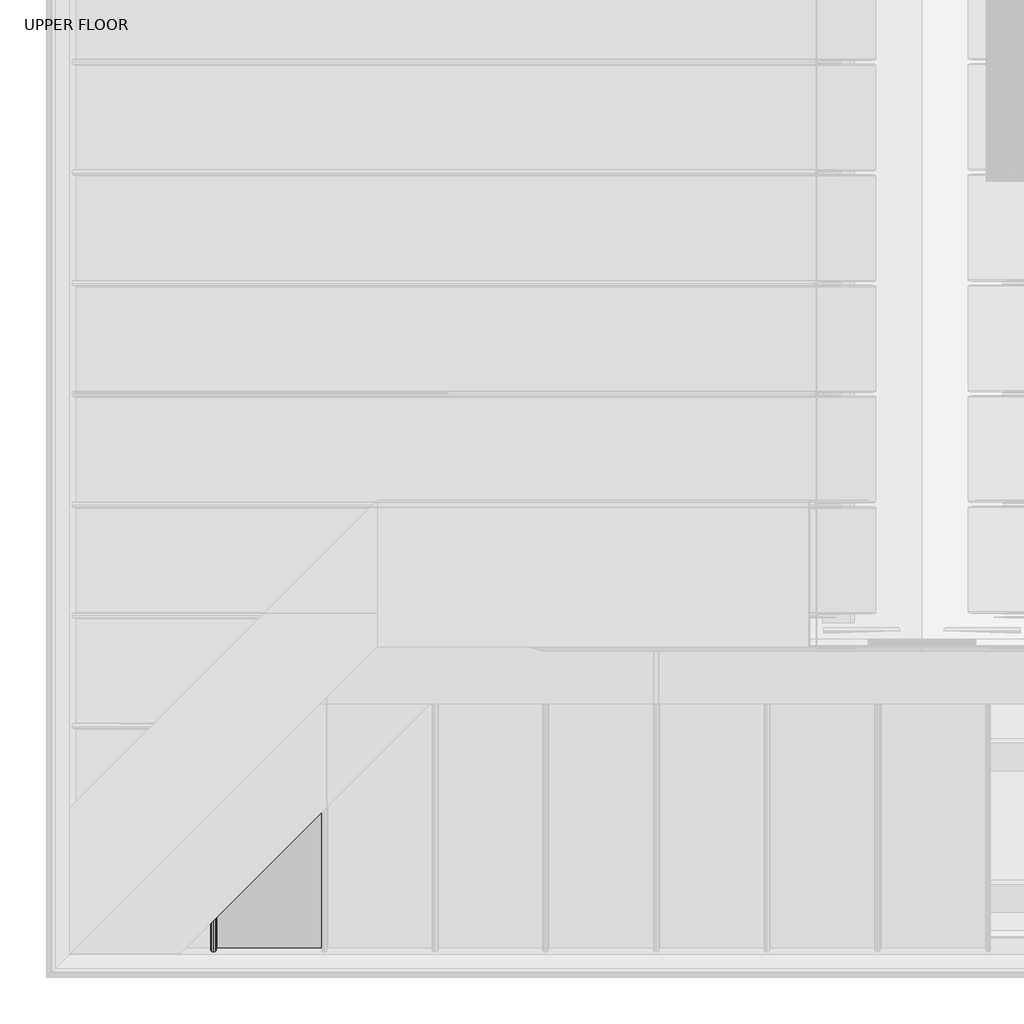
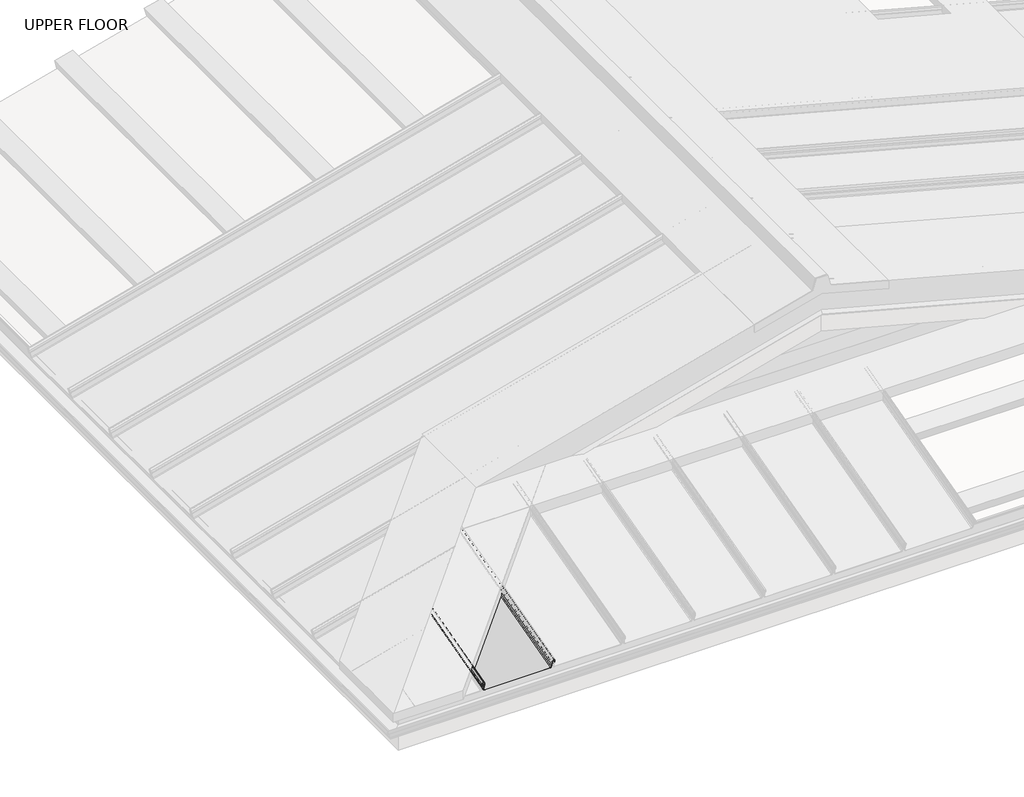
# One storey, part 4 of 15: 1 beam.
"""IFC4 building model written with IfcOpenShell, lengths in millimetres."""

from ifc_helpers import new_model, si_unit, frame, origin, place, context, project, spatial, polyline, circle_curve, ellipse_curve, element, save
from ifc_brep_helpers import plane_surface, cylinder_surface, revolved_surface, advanced_brep

model = new_model("IFC4")

# Units and contexts
model_context = context("Model", 3, world=origin())
ifc_project = project(units=[si_unit("LENGTHUNIT", "METRE", prefix="MILLI")], contexts=[model_context])

# Site, building, storey
site = spatial("IfcSite", under=ifc_project)
building = spatial("IfcBuilding", under=site)
storey = spatial("IfcBuildingStorey", under=building, Name="UPPER FLOOR", Elevation=2700.0)

# Beam
placement = place(None, origin())
element("IfcBeam", 1, at=placement, inside=storey, context=model_context, shape_type="AdvancedBrep", body=[
    advanced_brep(
    [(168.3493108, -4676.095666, 3282.2551895), (163.8152854, -4677.0728577, 3285.9021185), (159.3084709, -4676.1309313, 3282.3868016), (156.8614715, -4673.1910221, 3271.414911), (158.5201309, -4672.5557768, 3269.0441433), (159.6892957, -4672.112927, 3267.3914054), (158.1987741, -4666.0540531, 3244.7793802), (154.5043224, -4665.157273, 3241.4325512), (-165.7446304, -4665.157273, 3241.4325512), (-169.4374078, -4666.0550971, 3244.7832762), (-170.906911, -4672.1332034, 3267.4670779), (-170.2789834, -4672.3747897, 3268.3686904), (-168.0673455, -4673.168275, 3271.3300177), (-168.9508843, -4676.0609668, 3282.1256906), (-176.1805362, -4677.7900541, 3288.5787319), (-183.4101882, -4676.0609668, 3282.1256906), (-184.293727, -4673.168275, 3271.3300177), (-182.0820891, -4672.3747897, 3268.3686904), (-181.4541615, -4672.1332034, 3267.4670779), (-181.8458759, -4670.5130082, 3261.420427), (-180.84392, -4670.5130082, 3261.420427), (-180.4365113, -4672.1981177, 3267.7093414), (-181.8419272, -4672.6260652, 3269.3064631), (-183.2963478, -4673.1478782, 3271.2538956), (-182.4066574, -4676.0607105, 3282.1247338), (-176.1805362, -4677.531235, 3287.6128061), (-169.9476802, -4676.0402621, 3282.0484196), (-169.0600815, -4673.1272018, 3271.1767303), (-170.5191453, -4672.6260652, 3269.3064631), (-171.9245612, -4672.1981177, 3267.7093414), (-170.4354557, -4666.0389332, 3244.7229517), (-165.7446304, -4664.898454, 3240.4666254), (154.5040773, -4664.898454, 3240.4666254), (159.1967532, -4666.0376071, 3244.7180029), (160.6874877, -4672.0973465, 3267.3332583), (158.7839069, -4672.805634, 3269.9766229), (157.8472636, -4673.1463822, 3271.2483128), (160.2629487, -4676.0462771, 3282.0708676), (163.8257944, -4676.8142937, 3284.9371448), (167.2997886, -4676.1424796, 3282.4299005), (169.3270395, -4673.2675201, 3271.7004056), (170.3268994, -4673.315157, 3271.8781888), (170.3268994, -3897.8214481, 3479.6711018), (168.3493108, -3899.7990366, 3490.2632444), (169.3270395, -3898.821308, 3479.2126427), (167.2997886, -3900.8485588, 3490.1692805), (163.8257944, -3904.322553, 3491.9256829), (160.2629487, -3907.8853987, 3487.8989546), (157.8472636, -3910.3010838, 3475.6520944), (158.7839069, -3909.3644405, 3474.5400742), (160.6874877, -3907.4608597, 3472.2169874), (159.1967532, -3908.9515942, 3447.5785887), (154.5040773, -3913.6442701, 3441.7645773), (-165.7446304, -4233.8929778, 3355.9541946), (-170.4354557, -4238.5838031, 3359.2592085), (-171.9245612, -4240.0729087, 3383.4969422), (-170.5191453, -4238.6674927, 3385.5853122), (-169.0600815, -4237.2084289, 3387.9808135), (-169.9476802, -4238.0960276, 3399.3952236), (-176.1805362, -4244.3288837, 3403.6890263), (-182.4066574, -4250.5550048, 3396.138644), (-183.2963478, -4251.4446952, 3384.2489229), (-181.8419272, -4249.9902746, 3382.5513819), (-180.4365113, -4248.5848587, 3381.216172), (-180.84392, -4248.9922675, 3374.3665691), (-181.8458759, -4249.9942233, 3374.0980958), (-181.4541615, -4249.6025089, 3380.6838363), (-182.0820891, -4250.2304365, 3381.4819289), (-184.2948561, -4252.4420973, 3384.0633487), (-183.4101882, -4251.5585357, 3395.8707742), (-176.1805362, -4244.3288837, 3404.7243025), (-168.9508843, -4237.0992317, 3399.7451331), (-168.0673455, -4236.2156929, 3388.4111092), (-170.2789834, -4238.4273308, 3384.6445616), (-170.906911, -4239.0552584, 3383.5099635), (-169.4374078, -4237.5857552, 3359.5912903), (-165.7446304, -4233.8929778, 3356.9894708), (154.5043224, -3913.644025, 3442.7999191), (158.1987741, -3909.9495733, 3447.376965), (159.6892957, -3908.4590518, 3472.0118446), (158.5201309, -3909.6282166, 3473.4699669), (156.8614715, -3911.2868759, 3475.5665117), (159.3084709, -3908.8398765, 3487.9818201), (163.8152854, -3904.333062, 3492.9571227)],
    [
        (0, 1, circle_curve(frame((163.8152854, -4675.8796489, 3281.4490028), z_axis=(0.0, -0.9659258262890683, -0.2588190451025206), x_axis=(-1.0000000000000002, 0.0, 0.0)), 4.6102046)),
        (1, 2, circle_curve(frame((163.8152854, -4675.8796489, 3281.4490028), z_axis=(0.0, -0.9659258262890683, -0.2588190451025206), x_axis=(-1.0000000000000002, 0.0, 0.0)), 4.6102046)),
        (2, 3),
        (3, 4, circle_curve(frame((159.2456639, -4673.1453565, 3271.2444845), z_axis=(0.0, -0.9659258262890683, -0.2588190451025206), x_axis=(-1.0000000000000002, 0.0, 0.0)), 2.3907121)),
        (4, 5, circle_curve(frame((158.0092332, -4672.1406133, 3267.4947319), z_axis=(0.0, 0.9659258262890683, 0.2588190451025206), x_axis=(-1.0000000000000002, 0.0, 0.0)), 1.6834645)),
        (5, 6),
        (6, 7, circle_curve(frame((154.5062513, -4666.1149033, 3245.0064763), z_axis=(0.0, 0.9659258262890683, 0.2588190451025206), x_axis=(-1.0000000000000002, 0.0, 0.0)), 3.7)),
        (7, 8),
        (8, 9, circle_curve(frame((-165.7446304, -4666.1149035, 3245.0064768), z_axis=(0.0, 0.9659258262890683, 0.2588190451025206), x_axis=(-1.0000000000000002, 0.0, 0.0)), 3.7)),
        (9, 10),
        (10, 11, circle_curve(frame((-169.9849411, -4672.1481352, 3267.522804), z_axis=(0.0, 0.9659258262890683, 0.2588190451025206), x_axis=(-1.0000000000000002, 0.0, 0.0)), 0.9237732)),
        (11, 12, circle_curve(frame((-170.9790057, -4673.108701, 3271.1076846), z_axis=(0.0, -0.9659258262890683, -0.2588190451025206), x_axis=(-1.0000000000000002, 0.0, 0.0)), 2.9207441)),
        (12, 13),
        (13, 14, circle_curve(frame((-176.1805362, -4675.9130447, 3281.5736375), z_axis=(0.0, -0.9659258262890683, -0.2588190451025206), x_axis=(-1.0000000000000002, 0.0, 0.0)), 7.2522073)),
        (14, 15, circle_curve(frame((-176.1805362, -4675.9130447, 3281.5736375), z_axis=(0.0, -0.9659258262890683, -0.2588190451025206), x_axis=(-1.0000000000000002, 0.0, 0.0)), 7.2522073)),
        (15, 16),
        (16, 17, circle_curve(frame((-181.3806452, -4673.1092459, 3271.1097181), z_axis=(0.0, -0.9659258262890683, -0.2588190451025206), x_axis=(-1.0000000000000002, 0.0, 0.0)), 2.9231288)),
        (17, 18, circle_curve(frame((-182.2830835, -4672.164336, 3267.5832662), z_axis=(0.0, 0.9659258262890683, 0.2588190451025206), x_axis=(-1.0000000000000002, 0.0, 0.0)), 0.8376041)),
        (18, 19),
        (19, 20, circle_curve(frame((-181.344898, -4670.5130082, 3261.420427), z_axis=(0.0, -0.9659258262890683, -0.2588190451025206), x_axis=(-1.0000000000000002, 0.0, 0.0)), 0.5009779)),
        (20, 21),
        (21, 22, circle_curve(frame((-182.2868274, -4672.1596269, 3267.5656915), z_axis=(0.0, -0.9659258262890683, -0.2588190451025206), x_axis=(-1.0000000000000002, 0.0, 0.0)), 1.856283)),
        (22, 23, circle_curve(frame((-181.3815775, -4673.108701, 3271.1076846), z_axis=(0.0, 0.9659258262890683, 0.2588190451025206), x_axis=(-1.0000000000000002, 0.0, 0.0)), 1.9207441)),
        (23, 24),
        (24, 25, circle_curve(frame((-176.2575857, -4675.9348975, 3281.6551933), z_axis=(0.0, 0.9659258262890683, 0.2588190451025206), x_axis=(-1.0000000000000002, 0.0, 0.0)), 6.1682558)),
        (25, 26, circle_curve(frame((-176.2597106, -4675.8908732, 3281.4908925), z_axis=(0.0, 0.9659258262890683, 0.2588190451025206), x_axis=(-1.0000000000000002, 0.0, 0.0)), 6.3383658)),
        (26, 27),
        (27, 28, circle_curve(frame((-170.8835263, -4673.0899838, 3271.0378311), z_axis=(0.0, 0.9659258262890683, 0.2588190451025206), x_axis=(-1.0000000000000002, 0.0, 0.0)), 1.8291061)),
        (28, 29, circle_curve(frame((-170.169191, -4672.1805142, 3267.6436441), z_axis=(0.0, -0.9659258262890683, -0.2588190451025206), x_axis=(-1.0000000000000002, 0.0, 0.0)), 1.7566874)),
        (29, 30),
        (30, 31, circle_curve(frame((-165.7446304, -4666.1149035, 3245.0064768), z_axis=(0.0, -0.9659258262890683, -0.2588190451025206), x_axis=(-1.0000000000000002, 0.0, 0.0)), 4.7)),
        (31, 32),
        (32, 33, circle_curve(frame((154.5040773, -4666.1155033, 3245.0087152), z_axis=(0.0, -0.9659258262890683, -0.2588190451025206), x_axis=(-1.0000000000000002, 0.0, 0.0)), 4.7023174)),
        (33, 34),
        (34, 35, circle_curve(frame((158.0133759, -4672.141414, 3267.4977204), z_axis=(0.0, -0.9659258262890683, -0.2588190451025206), x_axis=(-1.0000000000000002, 0.0, 0.0)), 2.6795268)),
        (35, 36, circle_curve(frame((158.9167497, -4673.0867027, 3271.0255856), z_axis=(0.0, 0.9659258262890683, 0.2588190451025206), x_axis=(-1.0000000000000002, 0.0, 0.0)), 1.094061)),
        (36, 37),
        (37, 38, circle_curve(frame((163.8257944, -4675.8766984, 3281.4379916), z_axis=(0.0, 0.9659258262890683, 0.2588190451025206), x_axis=(-1.0000000000000002, 0.0, 0.0)), 3.6225901)),
        (38, 39, circle_curve(frame((163.8257944, -4675.8766984, 3281.4379916), z_axis=(0.0, 0.9659258262890683, 0.2588190451025206), x_axis=(-1.0000000000000002, 0.0, 0.0)), 3.6225901)),
        (39, 40),
        (40, 41, circle_curve(frame((169.8269694, -4673.2913386, 3271.7892972), z_axis=(0.0, -0.9659258262890683, -0.2588190451025206), x_axis=(-1.0000000000000002, 0.0, 0.0)), 0.5083296)),
        (41, 0),
        (41, 42),
        (42, 43),
        (43, 0),
        (40, 44),
        (44, 42, ellipse_curve(frame((169.8269694, -3898.321378, 3479.4418723), z_axis=(0.7071067811865475, -0.7071067811865476, 0.0), x_axis=(0.6612248329466451, 0.661224832946645, 0.3543493200069144)), 0.7442462, 0.5083296)),
        (39, 45),
        (45, 44),
        (38, 46),
        (46, 45, ellipse_curve(frame((163.8257944, -3904.322553, 3488.1753017), z_axis=(-0.7071067811865475, 0.7071067811865476, 0.0), x_axis=(-0.6612248329466451, -0.661224832946645, -0.3543493200069144)), 5.3038399, 3.6225901)),
        (37, 47),
        (47, 46, ellipse_curve(frame((163.8257944, -3904.322553, 3488.1753017), z_axis=(-0.7071067811865475, 0.7071067811865476, 0.0), x_axis=(-0.6612248329466451, -0.661224832946645, -0.3543493200069144)), 5.3038399, 3.6225901)),
        (36, 48),
        (48, 47),
        (35, 49),
        (49, 48, ellipse_curve(frame((158.9167497, -3909.2315977, 3475.6999441), z_axis=(-0.7071067811865475, 0.7071067811865476, 0.0), x_axis=(-0.6612248329466451, -0.661224832946645, -0.3543493200069144)), 1.6018165, 1.094061)),
        (34, 50),
        (50, 49, ellipse_curve(frame((158.0133759, -3910.1349715, 3471.6767313), z_axis=(0.7071067811865475, -0.7071067811865476, 0.0), x_axis=(0.6612248329466451, 0.661224832946645, 0.3543493200069144)), 3.9230995, 2.6795268)),
        (33, 51),
        (51, 50),
        (32, 52),
        (52, 51, ellipse_curve(frame((154.5040773, -3913.6442701, 3446.6327744), z_axis=(0.7071067811865475, -0.7071067811865476, 0.0), x_axis=(0.6612248329466451, 0.661224832946645, 0.3543493200069144)), 6.8846705, 4.7023174)),
        (31, 53),
        (53, 52),
        (30, 54),
        (54, 53, ellipse_curve(frame((-165.7446304, -4233.8929778, 3360.8199927), z_axis=(0.7071067811865475, -0.7071067811865476, 0.0), x_axis=(0.6612248329466451, 0.661224832946645, 0.3543493200069144)), 6.8812776, 4.7)),
        (29, 55),
        (55, 54),
        (28, 56),
        (56, 55, ellipse_curve(frame((-170.169191, -4238.3175384, 3383.8968781), z_axis=(0.7071067811865475, -0.7071067811865476, 0.0), x_axis=(0.6612248329466451, 0.661224832946645, 0.3543493200069144)), 2.5719689, 1.7566874)),
        (27, 57),
        (57, 56, ellipse_curve(frame((-170.8835263, -4239.0318737, 3387.3433512), z_axis=(-0.7071067811865475, 0.7071067811865476, 0.0), x_axis=(-0.6612248329466451, -0.661224832946645, -0.3543493200069144)), 2.6779972, 1.8291061)),
        (26, 58),
        (58, 57),
        (25, 59),
        (59, 58, ellipse_curve(frame((-176.2597106, -4244.408058, 3397.1063644), z_axis=(-0.7071067811865475, 0.7071067811865476, 0.0), x_axis=(-0.6612248329466451, -0.661224832946645, -0.3543493200069144)), 9.2800116, 6.3383658)),
        (24, 60),
        (60, 59, ellipse_curve(frame((-176.2575857, -4244.4059331, 3397.2830308), z_axis=(-0.7071067811865475, 0.7071067811865476, 0.0), x_axis=(-0.6612248329466451, -0.661224832946645, -0.3543493200069144)), 9.0309533, 6.1682558)),
        (23, 61),
        (61, 60),
        (22, 62),
        (62, 61, ellipse_curve(frame((-181.3815775, -4249.5299249, 3384.6052756), z_axis=(-0.7071067811865475, 0.7071067811865476, 0.0), x_axis=(-0.6612248329466451, -0.661224832946645, -0.3543493200069144)), 2.8121646, 1.9207441)),
        (21, 63),
        (63, 62, ellipse_curve(frame((-182.2868274, -4250.4351748, 3380.5664179), z_axis=(0.7071067811865475, -0.7071067811865476, 0.0), x_axis=(0.6612248329466451, 0.661224832946645, 0.3543493200069144)), 2.7177869, 1.856283)),
        (20, 64),
        (64, 63),
        (19, 65),
        (65, 64, ellipse_curve(frame((-181.344898, -4249.4932454, 3374.2323324), z_axis=(0.7071067811865475, -0.7071067811865476, 0.0), x_axis=(0.6612248329466451, 0.661224832946645, 0.3543493200069144)), 0.7334826, 0.5009779)),
        (18, 66),
        (66, 65),
        (17, 67),
        (67, 66, ellipse_curve(frame((-182.2830835, -4250.4314309, 3380.5862576), z_axis=(-0.7071067811865475, 0.7071067811865476, 0.0), x_axis=(-0.6612248329466451, -0.661224832946645, -0.3543493200069144)), 1.2263375, 0.8376041)),
        (16, 68),
        (68, 67, ellipse_curve(frame((-181.3806452, -4249.5289926, 3384.6077049), z_axis=(0.7071067811865475, -0.7071067811865476, 0.0), x_axis=(0.6612248329466451, 0.661224832946645, 0.3543493200069144)), 4.2797576, 2.9231288)),
        (15, 69),
        (69, 68),
        (14, 70),
        (70, 69, ellipse_curve(frame((-176.1805362, -4244.3288837, 3397.2162649), z_axis=(0.7071067811865475, -0.7071067811865476, 0.0), x_axis=(0.6612248329466451, 0.661224832946645, 0.3543493200069144)), 10.6179685, 7.2522073)),
        (13, 71),
        (71, 70, ellipse_curve(frame((-176.1805362, -4244.3288837, 3397.2162649), z_axis=(0.7071067811865475, -0.7071067811865476, 0.0), x_axis=(0.6612248329466451, 0.661224832946645, 0.3543493200069144)), 10.6179685, 7.2522073)),
        (12, 72),
        (72, 71),
        (11, 73),
        (73, 72, ellipse_curve(frame((-170.9790057, -4239.1273531, 3387.3926363), z_axis=(0.7071067811865475, -0.7071067811865476, 0.0), x_axis=(0.6612248329466451, 0.661224832946645, 0.3543493200069144)), 4.2762662, 2.9207441)),
        (10, 74),
        (74, 73, ellipse_curve(frame((-169.9849411, -4238.1332886, 3383.8167317), z_axis=(-0.7071067811865475, 0.7071067811865476, 0.0), x_axis=(-0.6612248329466451, -0.661224832946645, -0.3543493200069144)), 1.3524978, 0.9237732)),
        (9, 75),
        (75, 74),
        (8, 76),
        (76, 75, ellipse_curve(frame((-165.7446304, -4233.8929778, 3360.8199927), z_axis=(-0.7071067811865475, 0.7071067811865476, 0.0), x_axis=(-0.6612248329466451, -0.661224832946645, -0.3543493200069144)), 5.417176, 3.7)),
        (7, 77),
        (77, 76),
        (6, 78),
        (78, 77, ellipse_curve(frame((154.5062513, -3913.6420961, 3446.6309573), z_axis=(-0.7071067811865475, 0.7071067811865476, 0.0), x_axis=(-0.6612248329466451, -0.661224832946645, -0.3543493200069144)), 5.417176, 3.7)),
        (5, 79),
        (79, 78),
        (4, 80),
        (80, 79, ellipse_curve(frame((158.0092332, -3910.1391142, 3471.6724182), z_axis=(-0.7071067811865475, 0.7071067811865476, 0.0), x_axis=(-0.6612248329466451, -0.661224832946645, -0.3543493200069144)), 2.4647631, 1.6834645)),
        (3, 81),
        (81, 80, ellipse_curve(frame((159.2456639, -3908.9026835, 3476.0226916), z_axis=(0.7071067811865475, -0.7071067811865476, 0.0), x_axis=(0.6612248329466451, 0.661224832946645, 0.3543493200069144)), 3.5002454, 2.3907121)),
        (2, 82),
        (82, 81),
        (1, 83),
        (83, 82, ellipse_curve(frame((163.8152854, -3904.333062, 3488.1842877), z_axis=(0.7071067811865475, -0.7071067811865476, 0.0), x_axis=(0.6612248329466451, 0.661224832946645, 0.3543493200069144)), 6.749808, 4.6102046)),
        (43, 83, ellipse_curve(frame((163.8152854, -3904.333062, 3488.1842877), z_axis=(0.7071067811865475, -0.7071067811865476, 0.0), x_axis=(0.6612248329466451, 0.661224832946645, 0.3543493200069144)), 6.749808, 4.6102046)),
    ],
    [
        plane_surface(frame((170.3268994, -4673.315157, 3271.8781888), z_axis=(0.0, -0.9659258262890685, -0.25881904510252035), x_axis=(-0.18103878268248824, -0.25454230822568763, 0.9499648269741264))),
        plane_surface(frame((168.3493108, -3763.2953086, 3526.8393081), z_axis=(0.9834759575936989, -0.0468562848604057, 0.17487003575294915), x_axis=(0.0, -0.9659258262890683, -0.2588190451025206))),
        cylinder_surface(frame((169.8269694, -4673.2913386, 3271.7892972), z_axis=(0.0, 0.9659258262890683, 0.2588190451025206), x_axis=(-1.0000000000000002, 0.0, 0.0)), 0.5083296),
        plane_surface(frame((169.3270395, -3760.4671627, 3516.2845242), z_axis=(-0.9837509798367423, 0.046467937494472866, -0.17342070365230228), x_axis=(0.0, -0.9659258262890683, -0.2588190451025206))),
        revolved_surface(polyline([(160.2032043, -4675.876698424135, 3281.437991593533), (160.2032043, -3900.5805958596015, 3489.1779561706962)]), (163.8257944, -4675.8766984, 3281.4379916), (0.0, -0.9659258262890683, -0.2588190451025206)),
        revolved_surface(polyline([(160.2032043, -4675.876698481071, 3281.437991578277), (160.2032043, -3900.5805958596015, 3489.1779561706962)]), (163.8257944, -4675.8766984, 3281.4379916), (0.0, -0.9659258262890683, -0.2588190451025206)),
        plane_surface(frame((160.2629487, -3763.2459197, 3526.6549862), z_axis=(0.977537868063593, 0.05454866443059217, -0.20357838714000076), x_axis=(0.0, -0.9659258262890683, -0.2588190451025206))),
        revolved_surface(polyline([(157.8226887, -4673.086702707796, 3271.0255855979112), (157.8226887, -3908.1014865337174, 3476.002756493503)]), (158.9167497, -4673.0867027, 3271.0255856), (0.0, -0.9659258262890683, -0.2588190451025206)),
        cylinder_surface(frame((158.0133759, -4672.141414, 3267.4977204), z_axis=(0.0, 0.9659258262890683, 0.2588190451025206), x_axis=(-1.0000000000000002, 0.0, 0.0)), 2.6795268),
        plane_surface(frame((160.6874877, -3759.2969891, 3511.9173769), z_axis=(0.9979791357337671, 0.016445999670391176, -0.06137730635116645), x_axis=(0.0, -0.9659258262890683, -0.2588190451025206))),
        cylinder_surface(frame((154.5040773, -4666.1155033, 3245.0087152), z_axis=(0.0, 0.9659258262890683, 0.2588190451025206), x_axis=(-1.0000000000000002, 0.0, 0.0)), 4.7023174),
        plane_surface(frame((154.5040773, -3752.0980966, 3485.050744), z_axis=(0.0, 0.2588190451025206, -0.9659258262890683), x_axis=(0.0, -0.9659258262890683, -0.2588190451025206))),
        cylinder_surface(frame((-165.7446304, -4666.1149035, 3245.0064768), z_axis=(0.0, 0.9659258262890683, 0.2588190451025206), x_axis=(-1.0000000000000002, 0.0, 0.0)), 4.7),
        plane_surface(frame((-170.4354557, -3753.2385757, 3489.3070703), z_axis=(-0.9980479368039751, 0.016163898662687713, -0.060324491057539696), x_axis=(0.0, -0.9659258262890683, -0.2588190451025206))),
        cylinder_surface(frame((-170.169191, -4672.1805142, 3267.6436441), z_axis=(0.0, 0.9659258262890683, 0.2588190451025206), x_axis=(-1.0000000000000002, 0.0, 0.0)), 1.7566874),
        revolved_surface(polyline([(-172.7126324, -4673.089983866739, 3271.037831082117), (-172.7126324, -4237.142497130317, 3387.849608095519)]), (-170.8835263, -4673.0899838, 3271.0378311), (0.0, -0.9659258262890683, -0.2588190451025206)),
        plane_surface(frame((-169.0600815, -3760.3268444, 3515.7608489), z_axis=(-0.9969048840808035, 0.02034760881392576, -0.07593830990610176), x_axis=(0.0, -0.9659258262890683, -0.2588190451025206))),
        revolved_surface(polyline([(-182.5980764, -4675.8908732, 3281.4908925), (-182.5980764, -4237.860838150219, 3398.860686652165)]), (-176.2597106, -4675.8908732, 3281.4908925), (0.0, -0.9659258262890683, -0.2588190451025206)),
        revolved_surface(polyline([(-182.4258415, -4675.934897502063, 3281.655193299447), (-182.4258415, -4238.034428498155, 3398.9902703342545)]), (-176.2575857, -4675.9348975, 3281.6551933), (0.0, -0.9659258262890683, -0.2588190451025206)),
        plane_surface(frame((-182.4066574, -3763.2603531, 3526.7088524), z_axis=(0.9968898625471323, 0.020396848881732668, -0.07612207634093635), x_axis=(0.0, -0.9659258262890683, -0.2588190451025206))),
        revolved_surface(polyline([(-183.3023216, -4673.108701075225, 3271.107684579844), (-183.3023216, -4247.545890752166, 3385.136895934626)]), (-181.3815775, -4673.108701, 3271.1076846), (0.0, -0.9659258262890683, -0.2588190451025206)),
        cylinder_surface(frame((-182.2868274, -4672.1596269, 3267.5656915), z_axis=(0.0, 0.9659258262890683, 0.2588190451025206), x_axis=(-1.0000000000000002, 0.0, 0.0)), 1.856283),
        plane_surface(frame((-180.4365113, -3759.3977603, 3512.29346), z_axis=(0.9980479368039776, 0.016163898662674224, -0.06032449105750041), x_axis=(0.0, -0.9659258262890683, -0.2588190451025206))),
        cylinder_surface(frame((-181.344898, -4670.5130082, 3261.420427), z_axis=(0.0, 0.9659258262890683, 0.2588190451025206), x_axis=(-1.0000000000000002, 0.0, 0.0)), 0.5009779),
        plane_surface(frame((-181.8458759, -3757.7126508, 3506.0045456), z_axis=(-0.9980479368039783, -0.016163898662671365, 0.060324491057489736), x_axis=(0.0, -0.9659258262890683, -0.2588190451025206))),
        revolved_surface(polyline([(-183.1206876, -4672.164336, 3267.5832662), (-183.1206876, -4249.566227094818, 3380.818088204063)]), (-182.2830835, -4672.164336, 3267.5832662), (0.0, -0.9659258262890683, -0.2588190451025206)),
        cylinder_surface(frame((-181.3806452, -4673.1092459, 3271.1097181), z_axis=(0.0, 0.9659258262890683, 0.2588190451025206), x_axis=(-1.0000000000000002, 0.0, 0.0)), 2.9231288),
        plane_surface(frame((-184.293727, -3760.3679176, 3515.9141363), z_axis=(-0.996889862547133, -0.020396848881731024, 0.07612207634093021), x_axis=(0.0, -0.9659258262890683, -0.2588190451025206))),
        cylinder_surface(frame((-176.1805362, -4675.9130447, 3281.5736375), z_axis=(0.0, 0.9659258262890683, 0.2588190451025206), x_axis=(-1.0000000000000002, 0.0, 0.0)), 7.2522073),
        plane_surface(frame((-168.9508843, -3763.2606094, 3526.7098092), z_axis=(0.9968898625471304, -0.02039684888174122, 0.0761220763409572), x_axis=(0.0, -0.9659258262890683, -0.2588190451025206))),
        cylinder_surface(frame((-170.9790057, -4673.108701, 3271.1076846), z_axis=(0.0, 0.9659258262890683, 0.2588190451025206), x_axis=(-1.0000000000000002, 0.0, 0.0)), 2.9207441),
        revolved_surface(polyline([(-170.90871429999999, -4672.1481352, 3267.522804), (-170.90871429999999, -4237.179076371063, 3384.072412045739)]), (-169.9849411, -4672.1481352, 3267.522804), (0.0, -0.9659258262890683, -0.2588190451025206)),
        plane_surface(frame((-170.906911, -3759.332846, 3512.0511965), z_axis=(0.9980479368039753, -0.016163898662686728, 0.06032449105753602), x_axis=(0.0, -0.9659258262890683, -0.2588190451025206))),
        revolved_surface(polyline([(-169.4446304, -4666.114903519146, 3245.00647679487), (-169.4446304, -4230.071059935948, 3361.8440725475507)]), (-165.7446304, -4666.1149035, 3245.0064768), (0.0, -0.9659258262890683, -0.2588190451025206)),
        plane_surface(frame((-165.7446304, -3752.3569156, 3486.0166698), z_axis=(0.0, -0.2588190451025206, 0.9659258262890683), x_axis=(0.0, -0.9659258262890683, -0.2588190451025206))),
        revolved_surface(polyline([(150.8062513, -4666.114903341383, 3245.0064762889115), (150.8062513, -3909.8201782292676, 3447.655037122621)]), (154.5062513, -4666.1149033, 3245.0064763), (0.0, -0.9659258262890683, -0.2588190451025206)),
        plane_surface(frame((158.1987741, -3753.2536957, 3489.3634989), z_axis=(-0.9979791357337673, -0.016445999670390392, 0.06137730635116353), x_axis=(0.0, -0.9659258262890683, -0.2588190451025206))),
        revolved_surface(polyline([(156.3257687, -4672.1406133, 3267.4947319), (156.3257687, -3908.400178243679, 3472.138364700335)]), (158.0092332, -4672.1406133, 3267.4947319), (0.0, -0.9659258262890683, -0.2588190451025206)),
        cylinder_surface(frame((159.2456639, -4673.1453565, 3271.2444845), z_axis=(0.0, 0.9659258262890683, 0.2588190451025206), x_axis=(-1.0000000000000002, 0.0, 0.0)), 2.3907121),
        plane_surface(frame((156.8614715, -3760.3906647, 3515.9990297), z_axis=(-0.977573645665627, -0.05450569771259388, 0.20341803316539667), x_axis=(0.0, -0.9659258262890683, -0.2588190451025206))),
        cylinder_surface(frame((163.8152854, -4675.8796489, 3281.4490028), z_axis=(0.0, 0.9659258262890683, 0.2588190451025206), x_axis=(-1.0000000000000002, 0.0, 0.0)), 4.6102046),
        plane_surface(frame((-1715.1944205, -5783.3427679, 4168.077193), z_axis=(-0.7071067811865475, 0.7071067811865476, 0.0), x_axis=(0.0, 0.0, -1.0))),
    ],
    [
        (0, [[1, 2, 3, 4, 5, 6, 7, 8, 9, 10, 11, 12, 13, 14, 15, 16, 17, 18, 19, 20, 21, 22, 23, 24, 25, 26, 27, 28, 29, 30, 31, 32, 33, 34, 35, 36, 37, 38, 39, 40, 41, 42]]),
        (1, [[-42, 43, 44, 45]]),
        (2, [[-41, 46, 47, -43]]),
        (3, [[-40, 48, 49, -46]]),
        (4, [[-39, 50, 51, -48]]),
        (5, [[-38, 52, 53, -50]]),
        (6, [[-37, 54, 55, -52]]),
        (7, [[-36, 56, 57, -54]]),
        (8, [[-35, 58, 59, -56]]),
        (9, [[-34, 60, 61, -58]]),
        (10, [[-33, 62, 63, -60]]),
        (11, [[-32, 64, 65, -62]]),
        (12, [[-31, 66, 67, -64]]),
        (13, [[-30, 68, 69, -66]]),
        (14, [[-29, 70, 71, -68]]),
        (15, [[-28, 72, 73, -70]]),
        (16, [[-27, 74, 75, -72]]),
        (17, [[-26, 76, 77, -74]]),
        (18, [[-25, 78, 79, -76]]),
        (19, [[-24, 80, 81, -78]]),
        (20, [[-23, 82, 83, -80]]),
        (21, [[-22, 84, 85, -82]]),
        (22, [[-21, 86, 87, -84]]),
        (23, [[-20, 88, 89, -86]]),
        (24, [[-19, 90, 91, -88]]),
        (25, [[-18, 92, 93, -90]]),
        (26, [[-17, 94, 95, -92]]),
        (27, [[-16, 96, 97, -94]]),
        (28, [[-15, 98, 99, -96]]),
        (28, [[-14, 100, 101, -98]]),
        (29, [[-13, 102, 103, -100]]),
        (30, [[-12, 104, 105, -102]]),
        (31, [[-11, 106, 107, -104]]),
        (32, [[-10, 108, 109, -106]]),
        (33, [[-9, 110, 111, -108]]),
        (34, [[-8, 112, 113, -110]]),
        (35, [[-7, 114, 115, -112]]),
        (36, [[-6, 116, 117, -114]]),
        (37, [[-5, 118, 119, -116]]),
        (38, [[-4, 120, 121, -118]]),
        (39, [[-3, 122, 123, -120]]),
        (40, [[-2, 124, 125, -122]]),
        (40, [[-1, -45, 126, -124]]),
        (41, [[-44, -47, -49, -51, -53, -55, -57, -59, -61, -63, -65, -67, -69, -71, -73, -75, -77, -79, -81, -83, -85, -87, -89, -91, -93, -95, -97, -99, -101, -103, -105, -107, -109, -111, -113, -115, -117, -119, -121, -123, -125, -126]]),
    ],
),
])

save(model, "model.ifc")
